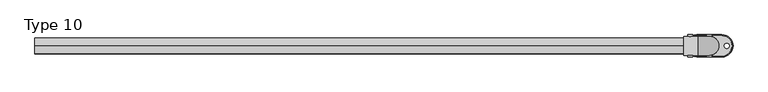
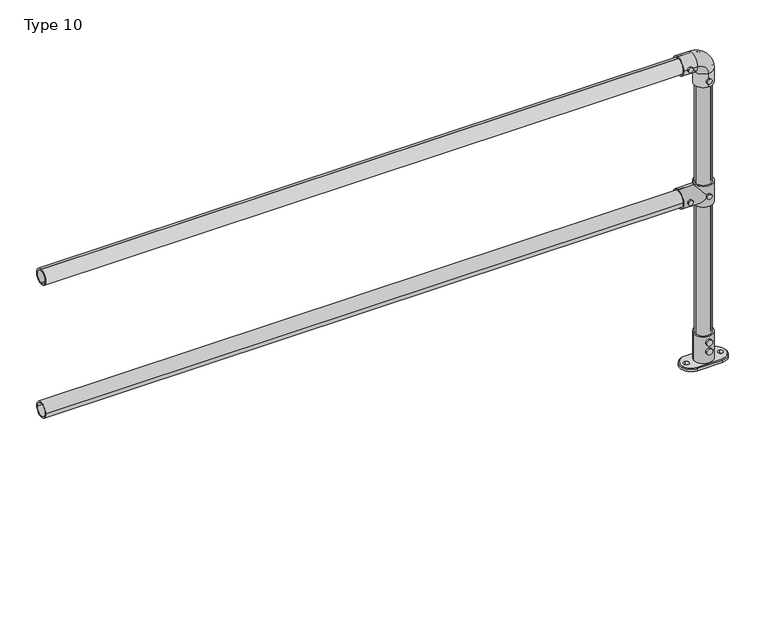
"""IFC4 building model written with IfcOpenShell, lengths in millimetres: proxy geometry, Type 10."""

from ifc_helpers import new_model, si_unit, point, frame, frame_2d, origin, place, context, project, spatial, polyline, circle_curve, ellipse_curve, trimmed, segment, composite_curve, outline, extrude, source, transform, mapped, element, save
from ifc_brep_helpers import plane_surface, cylinder_surface, revolved_surface, advanced_brep


def type_10_0099951e(model_context):
    return source(origin(), model_context, "Body", "SolidModel", [
        extrude(outline(composite_curve([segment(trimmed(circle_curve(frame_2d((575.0, 2200.0)), 8.0), [point((575.0, 2208.0))], [point((575.0, 2192.0))], False, "CARTESIAN"), True, "CONTINUOUS"), segment(trimmed(circle_curve(frame_2d((575.0, 2200.0)), 8.0), [point((575.0, 2192.0))], [point((575.0, 2208.0))], False, "CARTESIAN"), True, "CONTINUOUS")], self_intersect=False)), frame((0.0, -35.0, 0.0), z_axis=(0.0, 1.0, 0.0), x_axis=(0.0, 0.0, 1.0)), (0.0, 0.0, 1.0), 5.0),
        extrude(outline(composite_curve([segment(trimmed(circle_curve(frame_2d((575.0, 2140.0)), 8.0), [point((575.0, 2148.0))], [point((575.0, 2132.0))], False, "CARTESIAN"), True, "CONTINUOUS"), segment(trimmed(circle_curve(frame_2d((575.0, 2140.0)), 8.0), [point((575.0, 2132.0))], [point((575.0, 2148.0))], False, "CARTESIAN"), True, "CONTINUOUS")], self_intersect=False)), frame((0.0, -35.0, 0.0), z_axis=(0.0, 1.0, 0.0), x_axis=(0.0, 0.0, 1.0)), (0.0, 0.0, 1.0), 5.0),
        extrude(outline(composite_curve([segment(trimmed(circle_curve(frame_2d((575.0, 2200.0)), 8.0), [point((575.0, 2208.0))], [point((575.0, 2192.0))], False, "CARTESIAN"), True, "CONTINUOUS"), segment(trimmed(circle_curve(frame_2d((575.0, 2200.0)), 8.0), [point((575.0, 2192.0))], [point((575.0, 2208.0))], False, "CARTESIAN"), True, "CONTINUOUS")], self_intersect=False)), frame((0.0, 30.0, 0.0), z_axis=(0.0, 1.0, 0.0), x_axis=(0.0, 0.0, 1.0)), (0.0, 0.0, 1.0), 5.0),
        extrude(outline(composite_curve([segment(trimmed(circle_curve(frame_2d((575.0, 2140.0)), 8.0), [point((575.0, 2148.0))], [point((575.0, 2132.0))], False, "CARTESIAN"), True, "CONTINUOUS"), segment(trimmed(circle_curve(frame_2d((575.0, 2140.0)), 8.0), [point((575.0, 2132.0))], [point((575.0, 2148.0))], False, "CARTESIAN"), True, "CONTINUOUS")], self_intersect=False)), frame((0.0, 30.0, 0.0), z_axis=(0.0, 1.0, 0.0), x_axis=(0.0, 0.0, 1.0)), (0.0, 0.0, 1.0), 5.0),
        advanced_brep(
        [(2230.0, 0.0, 610.0), (2170.0, 0.0, 610.0), (2200.0, 25.0, 610.0), (2200.0, -25.0, 610.0), (2230.0, 0.0, 540.0), (2170.0, 0.0, 540.0), (2200.0, -25.0, 540.0), (2200.0, 25.0, 540.0), (2170.0, 0.0, 545.0), (2200.0, 30.0, 575.0), (2170.0, 0.0, 605.0), (2200.0, -30.0, 575.0), (2120.0, 0.0, 545.0), (2120.0, 0.0, 605.0), (2120.0, 0.0, 600.0), (2120.0, 0.0, 550.0), (2175.0, 0.0, 600.0), (2200.0, -25.0, 575.0), (2175.0, 0.0, 550.0), (2200.0, 25.0, 575.0)],
        [
            (0, 1, circle_curve(frame((2200.0, 0.0, 610.0), z_axis=(0.0, 0.0, 1.0), x_axis=(-1.0, 0.0, 0.0)), 30.0)),
            (1, 0, circle_curve(frame((2200.0, 0.0, 610.0), z_axis=(0.0, 0.0, 1.0), x_axis=(-1.0, 0.0, 0.0)), 30.0)),
            (2, 3, circle_curve(frame((2200.0, 0.0, 610.0), z_axis=(0.0, 0.0, -1.0), x_axis=(0.0, -1.0, 0.0)), 25.0)),
            (3, 2, circle_curve(frame((2200.0, 0.0, 610.0), z_axis=(0.0, 0.0, -1.0), x_axis=(0.0, -1.0, 0.0)), 25.0)),
            (4, 5, circle_curve(frame((2200.0, 0.0, 540.0), z_axis=(0.0, 0.0, -1.0), x_axis=(-1.0, 0.0, 0.0)), 30.0)),
            (5, 4, circle_curve(frame((2200.0, 0.0, 540.0), z_axis=(0.0, 0.0, -1.0), x_axis=(-1.0, 0.0, 0.0)), 30.0)),
            (6, 7, circle_curve(frame((2200.0, 0.0, 540.0), z_axis=(0.0, 0.0, 1.0), x_axis=(0.0, -1.0, 0.0)), 25.0)),
            (7, 6, circle_curve(frame((2200.0, 0.0, 540.0), z_axis=(0.0, 0.0, 1.0), x_axis=(0.0, -1.0, 0.0)), 25.0)),
            (0, 4),
            (5, 8),
            (8, 9, ellipse_curve(frame((2200.0, 0.0, 575.0), z_axis=(0.7071067811865458, 0.0, -0.7071067811865492), x_axis=(0.7071067811865492, 0.0, 0.7071067811865458)), 42.4264069, 30.0)),
            (9, 10, ellipse_curve(frame((2200.0, 0.0, 575.0), z_axis=(0.7071067811865492, 0.0, 0.7071067811865458), x_axis=(-0.7071067811865458, 0.0, 0.7071067811865492)), 42.4264069, 30.0)),
            (10, 1),
            (10, 11, ellipse_curve(frame((2200.0, 0.0, 575.0), z_axis=(0.7071067811865492, 0.0, 0.7071067811865458), x_axis=(-0.7071067811865458, 0.0, 0.7071067811865492)), 42.4264069, 30.0)),
            (11, 8, ellipse_curve(frame((2200.0, 0.0, 575.0), z_axis=(0.7071067811865458, 0.0, -0.7071067811865492), x_axis=(0.7071067811865492, 0.0, 0.7071067811865458)), 42.4264069, 30.0)),
            (12, 13, circle_curve(frame((2120.0, 0.0, 575.0), z_axis=(-1.0, 0.0, 0.0), x_axis=(0.0, 0.0, 1.0)), 30.0)),
            (13, 12, circle_curve(frame((2120.0, 0.0, 575.0), z_axis=(-1.0, 0.0, 0.0), x_axis=(0.0, 0.0, 1.0)), 30.0)),
            (14, 15, circle_curve(frame((2120.0, 0.0, 575.0), z_axis=(1.0, 0.0, 0.0), x_axis=(0.0, 0.0, -1.0)), 25.0)),
            (15, 14, circle_curve(frame((2120.0, 0.0, 575.0), z_axis=(1.0, 0.0, 0.0), x_axis=(0.0, 0.0, -1.0)), 25.0)),
            (12, 8),
            (10, 13),
            (14, 16),
            (16, 17, ellipse_curve(frame((2200.0, 0.0, 575.0), z_axis=(0.7071067811865492, 0.0, 0.7071067811865458), x_axis=(0.7071067811865458, 0.0, -0.7071067811865492)), 35.3553391, 25.0)),
            (17, 18, ellipse_curve(frame((2200.0, 0.0, 575.0), z_axis=(0.7071067811865458, 0.0, -0.7071067811865492), x_axis=(0.7071067811865492, 0.0, 0.7071067811865457)), 35.3553391, 25.0)),
            (18, 15),
            (18, 19, ellipse_curve(frame((2200.0, 0.0, 575.0), z_axis=(0.7071067811865458, 0.0, -0.7071067811865492), x_axis=(0.7071067811865492, 0.0, 0.7071067811865457)), 35.3553391, 25.0)),
            (19, 16, ellipse_curve(frame((2200.0, 0.0, 575.0), z_axis=(0.7071067811865492, 0.0, 0.7071067811865458), x_axis=(0.7071067811865458, 0.0, -0.7071067811865492)), 35.3553391, 25.0)),
            (2, 19),
            (19, 7),
            (6, 17),
            (17, 3),
        ],
        [
            plane_surface(frame((2170.0, 0.0, 610.0), z_axis=(0.0, 0.0, 1.0), x_axis=(0.0, -1.0, 0.0))),
            plane_surface(frame((2170.0, 0.0, 540.0), z_axis=(0.0, 0.0, -1.0), x_axis=(0.0, 1.0, 0.0))),
            cylinder_surface(frame((2200.0, 0.0, 540.0), z_axis=(0.0, 0.0, 1.0), x_axis=(-1.0, 0.0, 0.0)), 30.0),
            plane_surface(frame((2120.0, 0.0, 605.0), z_axis=(-1.0, 0.0, 0.0), x_axis=(0.0, 1.0, 0.0))),
            cylinder_surface(frame((2200.0, 0.0, 575.0), z_axis=(-1.0, 0.0, 0.0), x_axis=(0.0, 0.0, 1.0)), 30.0),
            revolved_surface(polyline([(2225.00000002876, 0.0, 550.0), (2120.0, 0.0, 550.0)]), (2120.0, 0.0, 575.0), (1.0, 0.0, 0.0)),
            revolved_surface(polyline([(2200.0, -25.0, 540.0), (2200.0, -25.0, 610.0)]), (2200.0, 0.0, 610.0), (0.0, 0.0, -1.0)),
            revolved_surface(polyline([(2200.0, -25.0, 549.9999999712401), (2200.0, -25.0, 610.0)]), (2200.0, 0.0, 610.0), (0.0, 0.0, -1.0)),
            revolved_surface(polyline([(2200.0, -25.0, 540.0), (2200.0, -25.0, 600.0000000287598)]), (2200.0, 0.0, 610.0), (0.0, 0.0, -1.0)),
        ],
        [
            (0, [[1, 2], [3, 4]]),
            (1, [[5, 6], [7, 8]]),
            (2, [[-1, 9, -6, 10, 11, 12, 13]]),
            (2, [[-2, -13, 14, 15, -10, -5, -9]]),
            (3, [[16, 17], [18, 19]]),
            (4, [[-16, 20, -15, -14, 21]]),
            (4, [[-17, -21, -12, -11, -20]]),
            (5, [[-18, 22, 23, 24, 25]]),
            (5, [[-19, -25, 26, 27, -22]]),
            (6, [[28, 29, -7, 30, 31, -3]]),
            (7, [[-28, -4, -31, -23, -27]]),
            (8, [[-29, -26, -24, -30, -8]]),
        ],
    ),
        extrude(outline(composite_curve([segment(trimmed(circle_curve(frame_2d((1025.0, 2140.0)), 8.0), [point((1025.0, 2148.0))], [point((1025.0, 2132.0))], False, "CARTESIAN"), True, "CONTINUOUS"), segment(trimmed(circle_curve(frame_2d((1025.0, 2140.0)), 8.0), [point((1025.0, 2132.0))], [point((1025.0, 2148.0))], False, "CARTESIAN"), True, "CONTINUOUS")], self_intersect=False)), frame((0.0, 30.0, 0.0), z_axis=(0.0, 1.0, 0.0), x_axis=(0.0, 0.0, 1.0)), (0.0, 0.0, 1.0), 5.0),
        extrude(outline(composite_curve([segment(trimmed(circle_curve(frame_2d((965.0, 2200.0)), 8.0), [point((965.0, 2208.0))], [point((965.0, 2192.0))], False, "CARTESIAN"), True, "CONTINUOUS"), segment(trimmed(circle_curve(frame_2d((965.0, 2200.0)), 8.0), [point((965.0, 2192.0))], [point((965.0, 2208.0))], False, "CARTESIAN"), True, "CONTINUOUS")], self_intersect=False)), frame((0.0, 30.0, 0.0), z_axis=(0.0, 1.0, 0.0), x_axis=(0.0, 0.0, 1.0)), (0.0, 0.0, 1.0), 5.0),
        extrude(outline(composite_curve([segment(trimmed(circle_curve(frame_2d((1025.0, 2140.0)), 8.0), [point((1025.0, 2148.0))], [point((1025.0, 2132.0))], False, "CARTESIAN"), True, "CONTINUOUS"), segment(trimmed(circle_curve(frame_2d((1025.0, 2140.0)), 8.0), [point((1025.0, 2132.0))], [point((1025.0, 2148.0))], False, "CARTESIAN"), True, "CONTINUOUS")], self_intersect=False)), frame((0.0, -35.0, 0.0), z_axis=(0.0, 1.0, 0.0), x_axis=(0.0, 0.0, 1.0)), (0.0, 0.0, 1.0), 5.0),
        extrude(outline(composite_curve([segment(trimmed(circle_curve(frame_2d((965.0, 2200.0)), 8.0), [point((965.0, 2208.0))], [point((965.0, 2192.0))], False, "CARTESIAN"), True, "CONTINUOUS"), segment(trimmed(circle_curve(frame_2d((965.0, 2200.0)), 8.0), [point((965.0, 2192.0))], [point((965.0, 2208.0))], False, "CARTESIAN"), True, "CONTINUOUS")], self_intersect=False)), frame((0.0, -35.0, 0.0), z_axis=(0.0, 1.0, 0.0), x_axis=(0.0, 0.0, 1.0)), (0.0, 0.0, 1.0), 5.0),
        advanced_brep(
        [(2200.0, -30.0, 945.0), (2200.0, 30.0, 945.0), (2200.0, -25.0, 945.0), (2200.0, 25.0, 945.0), (2200.0, 30.0, 990.0), (2200.0, -30.0, 990.0), (2165.0, 30.0, 1025.0), (2165.0, -30.0, 1025.0), (2120.0, -30.0, 1025.0), (2120.0, 30.0, 1025.0), (2120.0, -25.0, 1025.0), (2120.0, 25.0, 1025.0), (2200.0, 25.0, 990.0), (2200.0, -25.0, 990.0), (2165.0, 25.0, 1025.0), (2165.0, -25.0, 1025.0)],
        [
            (0, 1, circle_curve(frame((2200.0, 0.0, 945.0), z_axis=(0.0, 0.0, -1.0), x_axis=(0.0, 1.0, 0.0)), 30.0)),
            (1, 0, circle_curve(frame((2200.0, 0.0, 945.0), z_axis=(0.0, 0.0, -1.0), x_axis=(0.0, 1.0, 0.0)), 30.0)),
            (2, 3, circle_curve(frame((2200.0, 0.0, 945.0), z_axis=(0.0, 0.0, 1.0), x_axis=(0.0, 1.0, 0.0)), 25.0)),
            (3, 2, circle_curve(frame((2200.0, 0.0, 945.0), z_axis=(0.0, 0.0, 1.0), x_axis=(0.0, 1.0, 0.0)), 25.0)),
            (1, 4),
            (4, 5, circle_curve(frame((2200.0, 0.0, 990.0), z_axis=(0.0, 0.0, -1.0), x_axis=(0.0, 1.0, 0.0)), 30.0)),
            (5, 0),
            (5, 4, circle_curve(frame((2200.0, 0.0, 990.0), z_axis=(0.0, 0.0, -1.0), x_axis=(0.0, 1.0, 0.0)), 30.0)),
            (6, 7, circle_curve(frame((2165.0, 0.0, 1025.0), z_axis=(1.0, 0.0, 0.0), x_axis=(0.0, 1.0, 0.0)), 30.0)),
            (7, 5, circle_curve(frame((2165.0, -30.0, 990.0), z_axis=(0.0, 1.0, 0.0), x_axis=(1.0, 0.0, 0.0)), 35.0)),
            (4, 6, circle_curve(frame((2165.0, 30.0, 990.0), z_axis=(0.0, -1.0, 0.0), x_axis=(1.0, 0.0, 0.0)), 35.0)),
            (7, 6, circle_curve(frame((2165.0, 0.0, 1025.0), z_axis=(1.0, 0.0, 0.0), x_axis=(0.0, 1.0, 0.0)), 30.0)),
            (8, 9, circle_curve(frame((2120.0, 0.0, 1025.0), z_axis=(-1.0, 0.0, 0.0), x_axis=(0.0, 1.0, 0.0)), 30.0)),
            (9, 8, circle_curve(frame((2120.0, 0.0, 1025.0), z_axis=(-1.0, 0.0, 0.0), x_axis=(0.0, 1.0, 0.0)), 30.0)),
            (10, 11, circle_curve(frame((2120.0, 0.0, 1025.0), z_axis=(1.0, 0.0, 0.0), x_axis=(0.0, 1.0, 0.0)), 25.0)),
            (11, 10, circle_curve(frame((2120.0, 0.0, 1025.0), z_axis=(1.0, 0.0, 0.0), x_axis=(0.0, 1.0, 0.0)), 25.0)),
            (6, 9),
            (8, 7),
            (3, 12),
            (12, 13, circle_curve(frame((2200.0, 0.0, 990.0), z_axis=(0.0, 0.0, 1.0), x_axis=(0.0, 1.0, 0.0)), 25.0)),
            (13, 2),
            (13, 12, circle_curve(frame((2200.0, 0.0, 990.0), z_axis=(0.0, 0.0, 1.0), x_axis=(0.0, 1.0, 0.0)), 25.0)),
            (14, 15, circle_curve(frame((2165.0, 0.0, 1025.0), z_axis=(-1.0, 0.0, 0.0), x_axis=(0.0, 1.0, 0.0)), 25.0)),
            (15, 13, circle_curve(frame((2165.0, -25.0, 990.0), z_axis=(0.0, 1.0, 0.0), x_axis=(1.0, 0.0, 0.0)), 35.0)),
            (12, 14, circle_curve(frame((2165.0, 25.0, 990.0), z_axis=(0.0, -1.0, 0.0), x_axis=(1.0, 0.0, 0.0)), 35.0)),
            (15, 14, circle_curve(frame((2165.0, 0.0, 1025.0), z_axis=(-1.0, 0.0, 0.0), x_axis=(0.0, 1.0, 0.0)), 25.0)),
            (14, 11),
            (10, 15),
        ],
        [
            plane_surface(frame((2170.0, 0.0, 945.0), z_axis=(0.0, 0.0, -1.0), x_axis=(0.0, -1.0, 0.0))),
            cylinder_surface(frame((2200.0, 0.0, 945.0), z_axis=(0.0, 0.0, -1.0), x_axis=(0.0, 1.0, 0.0)), 30.0),
            revolved_surface(trimmed(ellipse_curve(frame((2200.0, 0.0, 990.0), z_axis=(0.0, 0.0, 1.0), x_axis=(0.0, 1.0, 0.0)), 30.0, 30.0), [point((2200.0, -30.0, 990.0))], [point((2200.0, 30.0, 990.0))], True, "CARTESIAN"), (2165.0, 0.0, 990.0), (0.0, 1.0, 0.0)),
            revolved_surface(trimmed(ellipse_curve(frame((2200.0, 0.0, 990.0), z_axis=(0.0, 0.0, 1.0), x_axis=(0.0, 1.0, 0.0)), 30.0, 30.0), [point((2200.0, 30.0, 990.0))], [point((2200.0, -30.0, 990.0))], True, "CARTESIAN"), (2165.0, 0.0, 990.0), (0.0, 1.0, 0.0)),
            plane_surface(frame((2120.0, 0.0, 995.0), z_axis=(-1.0, 0.0, 0.0), x_axis=(0.0, -1.0, 0.0))),
            cylinder_surface(frame((2165.0, 0.0, 1025.0), z_axis=(1.0, 0.0, 0.0), x_axis=(0.0, 1.0, 0.0)), 30.0),
            revolved_surface(polyline([(2200.0, 25.0, 990.0), (2200.0, 25.0, 945.0)]), (2200.0, 0.0, 945.0), (0.0, 0.0, 1.0)),
            revolved_surface(trimmed(ellipse_curve(frame((2200.0, 0.0, 990.0), z_axis=(0.0, 0.0, -1.0), x_axis=(0.0, 1.0, 0.0)), 25.0, 25.0), [point((2200.0, -25.0, 990.0))], [point((2200.0, 25.0, 990.0))], True, "CARTESIAN"), (2165.0, 0.0, 990.0), (0.0, 1.0, 0.0)),
            revolved_surface(trimmed(ellipse_curve(frame((2200.0, 0.0, 990.0), z_axis=(0.0, 0.0, -1.0), x_axis=(0.0, 1.0, 0.0)), 25.0, 25.0), [point((2200.0, 25.0, 990.0))], [point((2200.0, -25.0, 990.0))], True, "CARTESIAN"), (2165.0, 0.0, 990.0), (0.0, 1.0, 0.0)),
            revolved_surface(polyline([(2120.0, 25.0, 1025.0), (2165.0, 25.0, 1025.0)]), (2165.0, 0.0, 1025.0), (-1.0, 0.0, 0.0)),
        ],
        [
            (0, [[1, 2], [3, 4]]),
            (1, [[5, 6, 7, -2]]),
            (1, [[-7, 8, -5, -1]]),
            (2, [[9, 10, -6, 11]]),
            (3, [[12, -11, -8, -10]]),
            (4, [[13, 14], [15, 16]]),
            (5, [[17, -13, 18, -9]]),
            (5, [[-18, -14, -17, -12]]),
            (6, [[19, 20, 21, -4]]),
            (6, [[-21, 22, -19, -3]]),
            (7, [[23, 24, -20, 25]]),
            (8, [[26, -25, -22, -24]]),
            (9, [[27, -15, 28, -23]]),
            (9, [[-28, -16, -27, -26]]),
        ],
    ),
        extrude(outline(composite_curve([segment(trimmed(circle_curve(frame_2d((0.0, 575.0)), 25.0), [point((-25.0, 575.0))], [point((25.0, 575.0))], False, "CARTESIAN"), True, "CONTINUOUS"), segment(trimmed(circle_curve(frame_2d((0.0, 575.0)), 25.0), [point((25.0, 575.0))], [point((-25.0, 575.0))], False, "CARTESIAN"), True, "CONTINUOUS")], self_intersect=False), holes=[composite_curve([segment(trimmed(circle_curve(frame_2d((0.0, 575.0)), 20.0), [point((-20.0, 575.0))], [point((20.0, 575.0))], True, "CARTESIAN"), True, "CONTINUOUS"), segment(trimmed(circle_curve(frame_2d((0.0, 575.0)), 20.0), [point((20.0, 575.0))], [point((-20.0, 575.0))], True, "CARTESIAN"), True, "CONTINUOUS")], self_intersect=False)]), frame((80.0, 0.0, 0.0), z_axis=(1.0, 0.0, 0.0), x_axis=(0.0, 1.0, 0.0)), (0.0, 0.0, 1.0), 2040.0),
        extrude(outline(composite_curve([segment(trimmed(circle_curve(frame_2d((0.0, 1025.0)), 25.0), [point((0.0, 1050.0))], [point((0.0, 1000.0))], False, "CARTESIAN"), True, "CONTINUOUS"), segment(trimmed(circle_curve(frame_2d((0.0, 1025.0)), 25.0), [point((0.0, 1000.0))], [point((0.0, 1050.0))], False, "CARTESIAN"), True, "CONTINUOUS")], self_intersect=False), holes=[composite_curve([segment(trimmed(circle_curve(frame_2d((0.0, 1025.0)), 20.0), [point((0.0, 1045.0))], [point((0.0, 1005.0))], True, "CARTESIAN"), True, "CONTINUOUS"), segment(trimmed(circle_curve(frame_2d((0.0, 1025.0)), 20.0), [point((0.0, 1005.0))], [point((0.0, 1045.0))], True, "CARTESIAN"), True, "CONTINUOUS")], self_intersect=False)]), frame((80.0, 0.0, 0.0), z_axis=(1.0, 0.0, 0.0), x_axis=(0.0, 1.0, 0.0)), (0.0, 0.0, 1.0), 2040.0),
        extrude(outline(composite_curve([segment(trimmed(circle_curve(frame_2d((2200.0, 0.0)), 25.0), [point((2175.0, 0.0))], [point((2225.0, 0.0))], False, "CARTESIAN"), True, "CONTINUOUS"), segment(trimmed(circle_curve(frame_2d((2200.0, 0.0)), 25.0), [point((2225.0, 0.0))], [point((2175.0, 0.0))], False, "CARTESIAN"), True, "CONTINUOUS")], self_intersect=False), holes=[composite_curve([segment(trimmed(circle_curve(frame_2d((2200.0, 0.0)), 20.0), [point((2180.0, 0.0))], [point((2220.0, 0.0))], True, "CARTESIAN"), True, "CONTINUOUS"), segment(trimmed(circle_curve(frame_2d((2200.0, 0.0)), 20.0), [point((2220.0, 0.0))], [point((2180.0, 0.0))], True, "CARTESIAN"), True, "CONTINUOUS")], self_intersect=False)]), frame((0.0, 0.0, 610.0), z_axis=(0.0, 0.0, 1.0), x_axis=(1.0, 0.0, 0.0)), (0.0, 0.0, 1.0), 335.0),
        extrude(outline(composite_curve([segment(trimmed(circle_curve(frame_2d((2200.0, 0.0)), 25.0), [point((2225.0, 0.0))], [point((2175.0, 0.0))], False, "CARTESIAN"), True, "CONTINUOUS"), segment(trimmed(circle_curve(frame_2d((2200.0, 0.0)), 25.0), [point((2175.0, 0.0))], [point((2225.0, 0.0))], False, "CARTESIAN"), True, "CONTINUOUS")], self_intersect=False), holes=[composite_curve([segment(trimmed(circle_curve(frame_2d((2200.0, 0.0)), 20.0), [point((2220.0, 0.0))], [point((2180.0, 0.0))], True, "CARTESIAN"), True, "CONTINUOUS"), segment(trimmed(circle_curve(frame_2d((2200.0, 0.0)), 20.0), [point((2180.0, 0.0))], [point((2220.0, 0.0))], True, "CARTESIAN"), True, "CONTINUOUS")], self_intersect=False)]), frame((0.0, 0.0, 100.0), z_axis=(0.0, 0.0, 1.0), x_axis=(1.0, 0.0, 0.0)), (0.0, 0.0, 1.0), 440.0),
        extrude(outline(composite_curve([segment(trimmed(circle_curve(frame_2d((80.0, 2200.0)), 10.0), [point((80.0, 2190.0))], [point((80.0, 2210.0))], False, "CARTESIAN"), True, "CONTINUOUS"), segment(trimmed(circle_curve(frame_2d((80.0, 2200.0)), 10.0), [point((80.0, 2210.0))], [point((80.0, 2190.0))], False, "CARTESIAN"), True, "CONTINUOUS")], self_intersect=False)), frame((0.0, 30.0, 0.0), z_axis=(0.0, 1.0, 0.0), x_axis=(0.0, 0.0, 1.0)), (0.0, 0.0, 1.0), 5.0),
        extrude(outline(composite_curve([segment(trimmed(circle_curve(frame_2d((50.0, 2200.0)), 10.0), [point((50.0, 2190.0))], [point((50.0, 2210.0))], False, "CARTESIAN"), True, "CONTINUOUS"), segment(trimmed(circle_curve(frame_2d((50.0, 2200.0)), 10.0), [point((50.0, 2210.0))], [point((50.0, 2190.0))], False, "CARTESIAN"), True, "CONTINUOUS")], self_intersect=False)), frame((0.0, 30.0, 0.0), z_axis=(0.0, 1.0, 0.0), x_axis=(0.0, 0.0, 1.0)), (0.0, 0.0, 1.0), 5.0),
        extrude(outline(composite_curve([segment(trimmed(circle_curve(frame_2d((80.0, 2200.0)), 10.0), [point((80.0, 2190.0))], [point((80.0, 2210.0))], False, "CARTESIAN"), True, "CONTINUOUS"), segment(trimmed(circle_curve(frame_2d((80.0, 2200.0)), 10.0), [point((80.0, 2210.0))], [point((80.0, 2190.0))], False, "CARTESIAN"), True, "CONTINUOUS")], self_intersect=False)), frame((0.0, -35.0, 0.0), z_axis=(0.0, 1.0, 0.0), x_axis=(0.0, 0.0, 1.0)), (0.0, 0.0, 1.0), 5.0),
        extrude(outline(composite_curve([segment(trimmed(circle_curve(frame_2d((50.0, 2200.0)), 10.0), [point((50.0, 2190.0))], [point((50.0, 2210.0))], False, "CARTESIAN"), True, "CONTINUOUS"), segment(trimmed(circle_curve(frame_2d((50.0, 2200.0)), 10.0), [point((50.0, 2210.0))], [point((50.0, 2190.0))], False, "CARTESIAN"), True, "CONTINUOUS")], self_intersect=False)), frame((0.0, -35.0, 0.0), z_axis=(0.0, 1.0, 0.0), x_axis=(0.0, 0.0, 1.0)), (0.0, 0.0, 1.0), 5.0),
        advanced_brep(
        [(2225.0, 0.0, 10.0), (2175.0, 0.0, 10.0), (2240.0, -32.0, 10.0), (2240.0, 32.0, 10.0), (2160.0, 32.0, 10.0), (2160.0, -32.0, 10.0), (2230.0, 0.0, 10.0), (2170.0, 0.0, 10.0), (2145.0, -8.0, 10.0), (2145.0, 8.0, 10.0), (2255.0, -8.0, 10.0), (2255.0, 8.0, 10.0), (2240.0, 35.0, 0.0), (2240.0, -35.0, 0.0), (2160.0, -35.0, 0.0), (2160.0, 35.0, 0.0), (2145.0, 8.0, 0.0), (2145.0, -8.0, 0.0), (2255.0, 8.0, 0.0), (2255.0, -8.0, 0.0), (2160.0, 35.0, 7.0), (2240.0, 35.0, 7.0), (2160.0, -35.0, 7.0), (2240.0, -35.0, 7.0), (2170.0, 0.0, 100.0), (2230.0, 0.0, 100.0), (2175.0, 0.0, 100.0), (2225.0, 0.0, 100.0)],
        [
            (0, 1, circle_curve(frame((2200.0, 0.0, 10.0), z_axis=(0.0, 0.0, 1.0), x_axis=(1.0, 0.0, 0.0)), 25.0)),
            (1, 0, circle_curve(frame((2200.0, 0.0, 10.0), z_axis=(0.0, 0.0, 1.0), x_axis=(1.0, 0.0, 0.0)), 25.0)),
            (2, 3, circle_curve(frame((2240.0, 0.0, 10.0), z_axis=(0.0, 0.0, 1.0), x_axis=(0.0, -1.0, 0.0)), 32.0)),
            (3, 4),
            (4, 5, circle_curve(frame((2160.0, 0.0, 10.0), z_axis=(0.0, 0.0, 1.0), x_axis=(0.0, 1.0, 0.0)), 32.0)),
            (5, 2),
            (6, 7, circle_curve(frame((2200.0, 0.0, 10.0), z_axis=(0.0, 0.0, -1.0), x_axis=(1.0, 0.0, 0.0)), 30.0)),
            (7, 6, circle_curve(frame((2200.0, 0.0, 10.0), z_axis=(0.0, 0.0, -1.0), x_axis=(1.0, 0.0, 0.0)), 30.0)),
            (8, 9, circle_curve(frame((2145.0, 0.0, 10.0), z_axis=(0.0, 0.0, -1.0), x_axis=(0.0, 1.0, 0.0)), 8.0)),
            (9, 8, circle_curve(frame((2145.0, 0.0, 10.0), z_axis=(0.0, 0.0, -1.0), x_axis=(0.0, 1.0, 0.0)), 8.0)),
            (10, 11, circle_curve(frame((2255.0, 0.0, 10.0), z_axis=(0.0, 0.0, -1.0), x_axis=(0.0, 1.0, 0.0)), 8.0)),
            (11, 10, circle_curve(frame((2255.0, 0.0, 10.0), z_axis=(0.0, 0.0, -1.0), x_axis=(0.0, 1.0, 0.0)), 8.0)),
            (12, 13, circle_curve(frame((2240.0, 0.0, 0.0), z_axis=(0.0, 0.0, -1.0), x_axis=(1.0, 0.0, 0.0)), 35.0)),
            (13, 14),
            (14, 15, circle_curve(frame((2160.0, 0.0, 0.0), z_axis=(0.0, 0.0, -1.0), x_axis=(1.0, 0.0, 0.0)), 35.0)),
            (15, 12),
            (16, 17, circle_curve(frame((2145.0, 0.0, 0.0), z_axis=(0.0, 0.0, 1.0), x_axis=(0.0, 1.0, 0.0)), 8.0)),
            (17, 16, circle_curve(frame((2145.0, 0.0, 0.0), z_axis=(0.0, 0.0, 1.0), x_axis=(0.0, 1.0, 0.0)), 8.0)),
            (18, 19, circle_curve(frame((2255.0, 0.0, 0.0), z_axis=(0.0, 0.0, 1.0), x_axis=(0.0, 1.0, 0.0)), 8.0)),
            (19, 18, circle_curve(frame((2255.0, 0.0, 0.0), z_axis=(0.0, 0.0, 1.0), x_axis=(0.0, 1.0, 0.0)), 8.0)),
            (15, 20),
            (20, 21),
            (21, 12),
            (14, 22),
            (22, 20, circle_curve(frame((2160.0, 0.0, 7.0), z_axis=(0.0, 0.0, -1.0), x_axis=(1.0, 0.0, 0.0)), 35.0)),
            (13, 23),
            (23, 22),
            (21, 23, circle_curve(frame((2240.0, 0.0, 7.0), z_axis=(0.0, 0.0, -1.0), x_axis=(1.0, 0.0, 0.0)), 35.0)),
            (24, 25, circle_curve(frame((2200.0, 0.0, 100.0), z_axis=(0.0, 0.0, 1.0), x_axis=(1.0, 0.0, 0.0)), 30.0)),
            (25, 24, circle_curve(frame((2200.0, 0.0, 100.0), z_axis=(0.0, 0.0, 1.0), x_axis=(1.0, 0.0, 0.0)), 30.0)),
            (26, 27, circle_curve(frame((2200.0, 0.0, 100.0), z_axis=(0.0, 0.0, -1.0), x_axis=(1.0, 0.0, 0.0)), 25.0)),
            (27, 26, circle_curve(frame((2200.0, 0.0, 100.0), z_axis=(0.0, 0.0, -1.0), x_axis=(1.0, 0.0, 0.0)), 25.0)),
            (24, 7),
            (6, 25),
            (26, 1),
            (0, 27),
            (21, 3),
            (2, 23),
            (20, 4),
            (22, 5),
            (16, 9),
            (8, 17),
            (18, 11),
            (10, 19),
        ],
        [
            plane_surface(frame((2160.0, 35.0, 10.0), z_axis=(0.0, 0.0, 1.0), x_axis=(-1.0, 0.0, 0.0))),
            plane_surface(frame((2160.0, 35.0, 0.0), z_axis=(0.0, 0.0, -1.0), x_axis=(1.0, 0.0, 0.0))),
            plane_surface(frame((2240.0, 35.0, 10.0), z_axis=(0.0, 1.0, 0.0), x_axis=(0.0, 0.0, -1.0))),
            cylinder_surface(frame((2160.0, 0.0, 0.0), z_axis=(0.0, 0.0, 1.0), x_axis=(1.0, 0.0, 0.0)), 35.0),
            plane_surface(frame((2160.0, -35.0, 10.0), z_axis=(0.0, -1.0, 0.0), x_axis=(0.0, 0.0, -1.0))),
            cylinder_surface(frame((2240.0, 0.0, 0.0), z_axis=(0.0, 0.0, 1.0), x_axis=(1.0, 0.0, 0.0)), 35.0),
            plane_surface(frame((2230.0, 0.0, 100.0), z_axis=(0.0, 0.0, 1.0), x_axis=(0.0, 1.0, 0.0))),
            cylinder_surface(frame((2200.0, 0.0, 0.0), z_axis=(0.0, 0.0, 1.0), x_axis=(1.0, 0.0, 0.0)), 30.0),
            revolved_surface(polyline([(2225.0, 0.0, 10.0), (2225.0, 0.0, 100.0)]), (2200.0, 0.0, 0.0), (0.0, 0.0, -1.0)),
            revolved_surface(polyline([(2240.0, -35.0, 7.0), (2240.0, -32.0, 10.0)]), (2240.0, 0.0, 10.0), (0.0, 0.0, 1.0)),
            plane_surface(frame((2240.0, 32.0, 10.0), z_axis=(0.0, 0.7071067811865211, 0.707106781186574), x_axis=(-1.0, 0.0, 0.0))),
            revolved_surface(polyline([(2160.0, 35.0, 7.0), (2160.0, 32.0, 10.0)]), (2160.0, 0.0, 10.0), (0.0, 0.0, 1.0)),
            plane_surface(frame((2160.0, -32.0, 10.0), z_axis=(0.0, -0.7071067811865211, 0.707106781186574), x_axis=(1.0, 0.0, 0.0))),
            revolved_surface(polyline([(2145.0, 8.0, 0.0), (2145.0, 8.0, 10.0)]), (2145.0, 0.0, 10.0), (0.0, 0.0, -1.0)),
            revolved_surface(polyline([(2255.0, 8.0, 0.0), (2255.0, 8.0, 10.0)]), (2255.0, 0.0, 0.0), (0.0, 0.0, -1.0)),
        ],
        [
            (0, [[1, 2]]),
            (0, [[3, 4, 5, 6], [7, 8], [9, 10], [11, 12]]),
            (1, [[13, 14, 15, 16], [17, 18], [19, 20]]),
            (2, [[-16, 21, 22, 23]]),
            (3, [[-15, 24, 25, -21]]),
            (4, [[-14, 26, 27, -24]]),
            (5, [[-13, -23, 28, -26]]),
            (6, [[29, 30], [31, 32]]),
            (7, [[-29, 33, -7, 34]]),
            (7, [[-30, -34, -8, -33]]),
            (8, [[-31, 35, -1, 36]]),
            (8, [[-32, -36, -2, -35]]),
            (9, [[37, -3, 38, -28]]),
            (10, [[-37, -22, 39, -4]]),
            (11, [[-39, -25, 40, -5]]),
            (12, [[-38, -6, -40, -27]]),
            (13, [[41, -9, 42, -17]]),
            (13, [[-41, -18, -42, -10]]),
            (14, [[43, -11, 44, -19]]),
            (14, [[-43, -20, -44, -12]]),
        ],
    ),
    ])


if __name__ == "__main__":
    model = new_model("IFC4")
    model_context = context("Model", 3, world=origin())
    ifc_project = project(units=[si_unit("LENGTHUNIT", "METRE", prefix="MILLI")], contexts=[model_context])
    site = spatial("IfcSite", under=ifc_project)
    building = spatial("IfcBuilding", under=site)
    placement = place(None, origin())
    type_10_shape = type_10_0099951e(model_context)
    element("IfcBuildingElementProxy", 1, Name="Type 10", ObjectType="Type 10", at=placement, inside=building, context=model_context, shape_type="MappedRepresentation", body=[
        mapped(type_10_shape, transform((0.0, 0.0, 0.0), x_axis=(1.0, 0.0, 0.0), y_axis=(0.0, 1.0, 0.0), z_axis=(0.0, 0.0, 1.0))),
    ])
    save(model, "model.ifc")
